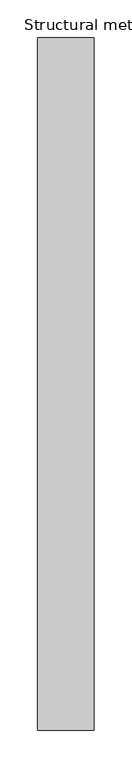
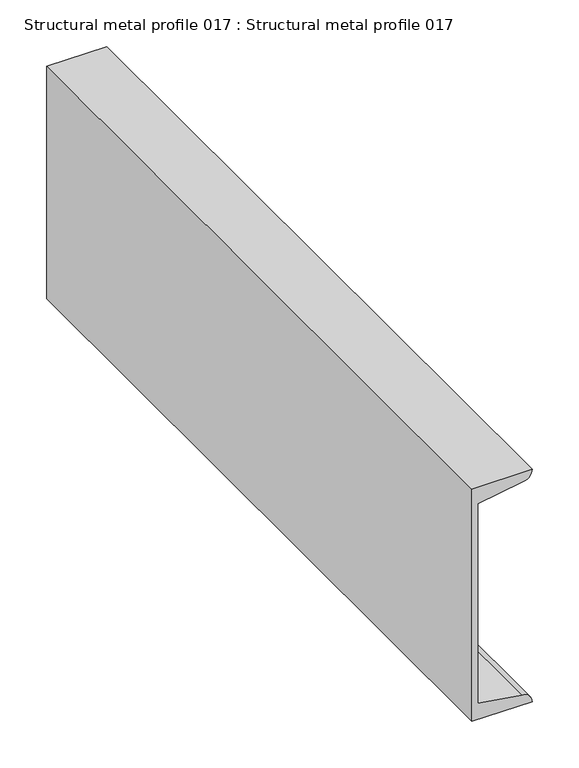
"""IFC4 building model written with IfcOpenShell, lengths in millimetres: proxy geometry, Structural metal profile 017 : Structural metal profile 017."""

from ifc_helpers import new_model, si_unit, point, frame, frame_2d, origin, place, context, project, spatial, polyline, circle_curve, trimmed, segment, composite_curve, outline, extrude, source, transform, mapped, element, save


def structural_metal_profile_017_structural_metal_profile_017_fc946e56(model_context):
    return source(origin(), model_context, "Body", "SweptSolid", [
        extrude(outline(composite_curve([segment(polyline([(2609.8754, 35877.6387373), (2618.5529351, 35822.8509373), (2880.5470649, 35822.8509373), (2889.2246, 35877.6387373)]), True, "CONTINUOUS"), segment(trimmed(circle_curve(frame_2d((2901.95, 35877.6387373)), 12.7254), [point((2889.2246, 35877.6387373))], [point((2901.95, 35890.3641373))], False, "CARTESIAN"), True, "CONTINUOUS"), segment(polyline([(2901.95, 35890.3641373), (2901.95, 35815.6881373), (2597.15, 35815.6881373), (2597.15, 35890.3641373)]), True, "CONTINUOUS"), segment(trimmed(circle_curve(frame_2d((2597.15, 35877.6387373)), 12.7254), [point((2597.15, 35890.3641373))], [point((2609.8754, 35877.6387373))], False, "CARTESIAN"), True, "CONTINUOUS")], self_intersect=False)), frame((0.0, -25196.3529946, 0.0), z_axis=(0.0, 1.0, 0.0), x_axis=(0.0, 0.0, 1.0)), (0.0, 0.0, 1.0), 914.4),
    ])


if __name__ == "__main__":
    model = new_model("IFC4")
    model_context = context("Model", 3, world=origin())
    ifc_project = project(units=[si_unit("LENGTHUNIT", "METRE", prefix="MILLI")], contexts=[model_context])
    site = spatial("IfcSite", under=ifc_project)
    building = spatial("IfcBuilding", under=site)
    placement = place(None, origin())
    structural_metal_profile_017_structural_metal_profile_017_shape = structural_metal_profile_017_structural_metal_profile_017_fc946e56(model_context)
    element("IfcBuildingElementProxy", 1, Name="Structural metal profile 017 : Structural metal profile 017", ObjectType="Structural metal profile 017 : Structural metal profile 017", at=placement, inside=building, context=model_context, shape_type="MappedRepresentation", body=[
        mapped(structural_metal_profile_017_structural_metal_profile_017_shape, transform((0.0, 0.0, 0.0), x_axis=(1.0, 0.0, 0.0), y_axis=(0.0, 1.0, 0.0), z_axis=(0.0, 0.0, 1.0))),
    ])
    save(model, "model.ifc")
